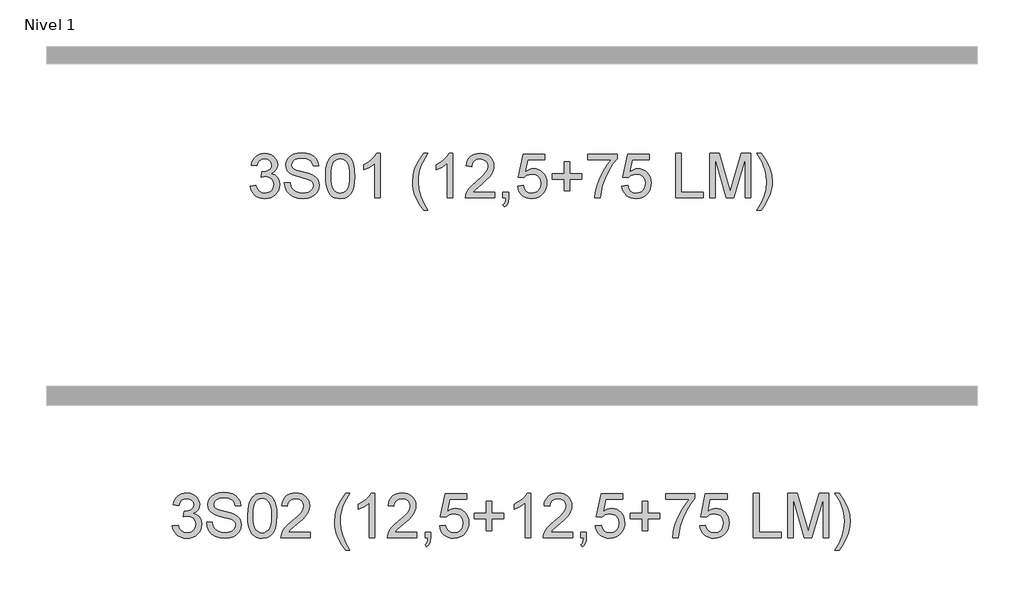
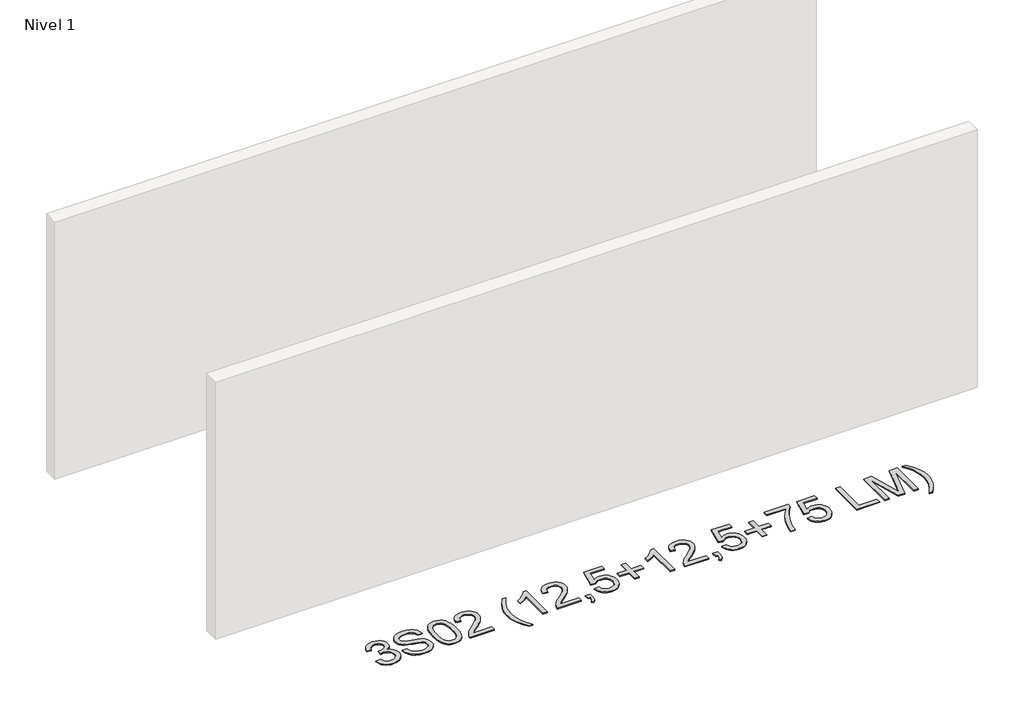
# One storey, part 8 of 13: 2 proxies.
"""IFC4 building model written with IfcOpenShell, lengths in millimetres."""

from ifc_helpers import new_model, si_unit, origin, origin_with_axes, place, context, project, spatial, polyline, outline, extrude, element, save

model = new_model("IFC4")

# Units and contexts
model_context = context("Model", 3, world=origin())
ifc_project = project(units=[si_unit("LENGTHUNIT", "METRE", prefix="MILLI")], contexts=[model_context])

# Site, building, storey
site = spatial("IfcSite", under=ifc_project)
building = spatial("IfcBuilding", under=site)
storey = spatial("IfcBuildingStorey", under=building, Name="Nivel 1", Elevation=0.0)

# Proxies
placement = place(None, origin())
element("IfcBuildingElementProxy", 1, Name="Texto de modelo 1", ObjectType="Texto de modelo 1", at=placement, inside=storey, context=model_context, shape_type="SweptSolid", body=[
    extrude(outline(polyline([(-11638.1412868, -7883.8446235), (-11587.9131318, -7877.5661041), (-11576.6682054, -7909.1303793), (-11560.1993548, -7930.4430095), (-11537.6972394, -7942.5831154), (-11508.3525189, -7946.6298173), (-11473.9187642, -7941.0625364), (-11459.6449428, -7934.1034354), (-11447.3331587, -7924.3606939), (-11430.3370105, -7899.4428201), (-11424.6716278, -7869.2274455), (-11430.2879596, -7840.5449126), (-11447.1369549, -7817.2825078), (-11472.6434399, -7801.8682522), (-11504.2322406, -7796.730167), (-11539.4508103, -7802.2238715), (-11533.8590039, -7751.9957164), (-11525.814651, -7752.5843276), (-11495.7219038, -7748.979084), (-11468.8174672, -7738.1633534), (-11457.7442191, -7729.9841103), (-11449.8347562, -7719.8673555), (-11445.0890785, -7707.8130888), (-11443.5071859, -7693.8213102), (-11448.0934481, -7672.1285352), (-11461.8522348, -7654.5315131), (-11482.8460339, -7642.8696539), (-11509.1373339, -7638.9823675), (-11535.4776847, -7642.9064421), (-11557.0110442, -7654.6786659), (-11572.7318681, -7674.299039), (-11581.6346124, -7701.7675613), (-11631.8627675, -7695.4890419), (-11625.9092105, -7671.5092672), (-11617.0739113, -7650.3867093), (-11605.3568697, -7632.1213683), (-11590.7580859, -7616.713244), (-11573.7374122, -7604.4811677), (-11554.7547013, -7595.7439703), (-11533.809953, -7590.5016519), (-11510.9031674, -7588.7542124), (-11479.3266295, -7592.2000404), (-11450.3252656, -7602.5375245), (-11425.8733756, -7618.8469596), (-11407.9452597, -7640.2086408), (-11396.9455881, -7664.8199463), (-11393.2790309, -7690.8782543), (-11396.7616471, -7715.1584659), (-11407.2094957, -7737.1823347), (-11424.475424, -7755.9443165), (-11448.4122792, -7770.4388671), (-11416.9706313, -7783.1430586), (-11393.6714383, -7804.77452), (-11379.2504641, -7834.1560286), (-11374.4434727, -7870.1103623), (-11376.8469684, -7895.5923218), (-11384.0574555, -7919.0631931), (-11396.074934, -7940.5229762), (-11412.8994039, -7959.971671), (-11433.3965624, -7976.1094278), (-11456.4321067, -7987.636397), (-11482.0060367, -7994.5525785), (-11510.1183525, -7996.8579724), (-11535.5267357, -7994.8898037), (-11558.6787759, -7988.9852977), (-11579.5744732, -7979.1444543), (-11598.2138276, -7965.3672736), (-11613.8426811, -7948.4630959), (-11625.7068754, -7929.2412617), (-11633.8064107, -7907.7017708), (-11638.1412868, -7883.8446235)])), origin_with_axes(), (0.0, 0.0, 1.0), 10.0),
    extrude(outline(polyline([(-11330.493837, -7852.4520265), (-11280.2656819, -7852.4520265), (-11274.5021973, -7880.325219), (-11264.0788741, -7902.7292325), (-11247.81849, -7920.5101956), (-11224.5438224, -7934.5142369), (-11196.0942814, -7943.6009222), (-11164.3092771, -7946.6298173), (-11136.32572, -7944.3366862), (-11111.8247791, -7937.4572929), (-11091.9714141, -7926.5679858), (-11077.9305846, -7912.2451135), (-11069.5796633, -7895.8007883), (-11066.7960229, -7878.5471227), (-11068.8806875, -7861.7349155), (-11075.1346814, -7847.2035767), (-11087.838873, -7834.8059535), (-11109.2741306, -7824.394893), (-11182.4090712, -7805.2159784), (-11230.4176716, -7792.5240495), (-11261.1358182, -7780.4452573), (-11286.1395311, -7763.547211), (-11303.8591806, -7743.0684466), (-11314.4173938, -7719.4504225), (-11317.9367982, -7693.1345972), (-11313.583528, -7663.7163003), (-11300.5237171, -7636.2845662), (-11279.1007223, -7613.0344241), (-11249.6578999, -7596.1609032), (-11214.3167029, -7585.8969956), (-11175.1985841, -7582.475693), (-11132.8185783, -7586.0564111), (-11095.7360732, -7596.7985654), (-11065.275444, -7614.4814266), (-11042.7610658, -7638.8842656), (-11028.5117699, -7668.4865035), (-11022.8463872, -7701.7675613), (-11073.0745422, -7701.7675613), (-11082.2961176, -7671.7974414), (-11090.6593016, -7659.9393785), (-11101.5240832, -7650.1659801), (-11131.5677795, -7637.0693811), (-11173.2365468, -7632.7038481), (-11215.8863328, -7637.0203302), (-11232.1896365, -7642.4159328), (-11245.1452141, -7649.9697764), (-11262.0677859, -7669.0260637), (-11267.7086432, -7691.6630692), (-11263.7109921, -7710.9646112), (-11251.7180391, -7726.4892314), (-11223.3666, -7740.3706453), (-11169.7048796, -7754.5463649), (-11114.3263766, -7768.0108459), (-11080.8245896, -7779.7585443), (-11052.1911077, -7797.9809658), (-11032.2151153, -7820.4708184), (-11020.4796797, -7846.9828475), (-11016.5678678, -7877.2717985), (-11021.0682909, -7908.2351997), (-11034.5695601, -7937.359191), (-11056.5198525, -7962.4242176), (-11086.367345, -7981.2107248), (-11122.260365, -7992.9461605), (-11162.3472397, -7996.8579724), (-11211.557588, -7992.6395922), (-11252.0613956, -7979.9844515), (-11284.3246466, -7958.8434995), (-11308.8133248, -7929.1676853), (-11324.5341487, -7893.0171479), (-11330.493837, -7852.4520265)])), origin_with_axes(), (0.0, 0.0, 1.0), 10.0),
    extrude(outline(polyline([(-10960.0611933, -7792.9041943), (-10956.3701106, -7728.5861588), (-10945.2968626, -7677.2911459), (-10926.9518138, -7638.2343407), (-10915.0937508, -7623.0009605), (-10901.4453288, -7610.6309284), (-10885.9605625, -7601.0598651), (-10868.5934666, -7594.2233914), (-10828.2122863, -7588.7542124), (-10797.2611477, -7591.991574), (-10769.5473708, -7601.7036586), (-10746.3708051, -7617.5103217), (-10729.0313004, -7639.0314184), (-10715.9347013, -7666.0830078), (-10705.4868527, -7698.4811488), (-10698.6442476, -7739.6226186), (-10696.3633792, -7792.9041943), (-10700.0176737, -7856.8543477), (-10710.9805571, -7908.0267333), (-10729.2152414, -7947.1203266), (-10741.0457132, -7962.3996922), (-10754.6849382, -7974.8341036), (-10770.1880986, -7984.4695462), (-10787.6103767, -7991.3520052), (-10828.2122863, -7996.8579724), (-10855.8770123, -7994.4667394), (-10880.4024786, -7987.2930405), (-10901.7886853, -7975.3368757), (-10920.0356323, -7958.5982449), (-10937.5468152, -7928.3399508), (-10950.0548031, -7890.6381776), (-10957.5595958, -7845.4929255), (-10960.0611933, -7792.9041943)]), holes=[polyline([(-10909.8330383, -7792.8060924), (-10908.3615103, -7836.4706195), (-10903.9469263, -7871.8148822), (-10896.5892864, -7898.8388804), (-10886.2885906, -7917.5426142), (-10873.8296537, -7930.2682656), (-10859.9972906, -7939.3580165), (-10844.7915015, -7944.8118671), (-10828.2122863, -7946.6298173), (-10811.633071, -7944.8057357), (-10796.4272819, -7939.3334911), (-10782.5949189, -7930.2130833), (-10770.135982, -7917.4445124), (-10759.8352861, -7898.7101217), (-10752.4776462, -7871.6922549), (-10748.0630622, -7836.3909118), (-10746.5915343, -7792.8060924), (-10748.0140113, -7750.2973278), (-10752.2814425, -7715.5753989), (-10759.3938277, -7688.6403055), (-10769.351167, -7669.4920476), (-10781.6016375, -7656.1440625), (-10795.593416, -7646.6097875), (-10811.3265027, -7640.8892225), (-10828.8008975, -7638.9823675), (-10845.2942736, -7640.6623619), (-10860.2425453, -7645.7023452), (-10873.6457127, -7654.1023175), (-10885.5037756, -7665.8622786), (-10896.147828, -7686.708925), (-10903.7507226, -7714.8151094), (-10908.3124593, -7750.1808319), (-10909.8330383, -7792.8060924)])]), origin_with_axes(), (0.0, 0.0, 1.0), 10.0),
    extrude(outline(polyline([(-10464.058162, -7990.579453), (-10514.286317, -7990.579453), (-10514.286317, -7677.4382987), (-10535.2555908, -7694.3976587), (-10561.8657218, -7711.3324932), (-10614.7426272, -7736.6918254), (-10614.7426272, -7689.2105225), (-10575.2934146, -7667.7507395), (-10541.1171772, -7642.219729), (-10514.1759524, -7615.0700378), (-10496.4317775, -7588.7542124), (-10464.058162, -7588.7542124), (-10464.058162, -7990.579453)])), origin_with_axes(), (0.0, 0.0, 1.0), 10.0),
    extrude(outline(polyline([(-10074.7899601, -8103.5928019), (-10113.7118752, -8048.9745884), (-10146.1100163, -7985.7724616), (-10158.8571274, -7951.7188516), (-10167.9622068, -7917.0521049), (-10173.4252544, -7881.7722216), (-10175.2462703, -7845.8792016), (-10169.8016168, -7783.4618897), (-10153.4676562, -7723.7423792), (-10121.0449897, -7656.101143), (-10074.7899601, -7588.7542124), (-10037.1188438, -7588.7542124), (-10084.1096373, -7668.3148252), (-10100.1492923, -7706.0840434), (-10112.3629746, -7745.4228914), (-10121.8543301, -7795.6755719), (-10125.0181152, -7846.1735072), (-10119.5244108, -7910.565119), (-10103.0432974, -7974.9322055), (-10075.5747751, -8039.2747664), (-10037.1188438, -8103.5928019), (-10074.7899601, -8103.5928019)])), origin_with_axes(), (0.0, 0.0, 1.0), 10.0),
    extrude(outline(polyline([(-9811.092146, -7990.579453), (-9861.3203011, -7990.579453), (-9861.3203011, -7677.4382987), (-9882.2895748, -7694.3976587), (-9908.8997058, -7711.3324932), (-9961.7766112, -7736.6918254), (-9961.7766112, -7689.2105225), (-9922.3273986, -7667.7507395), (-9888.1511613, -7642.219729), (-9861.2099365, -7615.0700378), (-9843.4657616, -7588.7542124), (-9811.092146, -7588.7542124), (-9811.092146, -7990.579453)])), origin_with_axes(), (0.0, 0.0, 1.0), 10.0),
    extrude(outline(polyline([(-9434.3809829, -7940.3512979), (-9434.3809829, -7990.579453), (-9698.0787971, -7990.579453), (-9696.9751511, -7972.8965918), (-9692.6831945, -7955.9494945), (-9680.297834, -7928.8856424), (-9662.1735143, -7902.6311307), (-9635.9557908, -7875.1503456), (-9599.2902186, -7844.4076736), (-9545.088938, -7796.2641831), (-9512.5681696, -7760.7267824), (-9496.3077855, -7731.884834), (-9490.8876574, -7703.8277005), (-9496.0012171, -7678.6768347), (-9511.3418963, -7657.7688747), (-9534.9231322, -7643.6789943), (-9564.758362, -7638.9823675), (-9596.0896453, -7643.5686297), (-9620.4311706, -7657.3274163), (-9636.1397318, -7679.1796068), (-9641.5721226, -7708.0460807), (-9691.8002777, -7701.7675613), (-9687.4807299, -7675.838012), (-9679.6233837, -7653.1826125), (-9668.2282389, -7633.8013627), (-9653.2952955, -7617.6942627), (-9635.1679102, -7605.0329907), (-9614.1894394, -7595.989225), (-9590.3598832, -7590.5629655), (-9563.6792415, -7588.7542124), (-9536.7594765, -7590.7653006), (-9512.8011616, -7596.7985654), (-9491.8042967, -7606.8540066), (-9473.7688819, -7620.9316242), (-9459.2835283, -7637.9890861), (-9448.9368472, -7656.9840598), (-9442.7288385, -7677.9165453), (-9440.6595023, -7700.7865427), (-9442.8913198, -7724.8092369), (-9449.5867721, -7748.4149983), (-9461.4693605, -7772.4254299), (-9479.2625863, -7797.6621347), (-9507.6262882, -7827.7916701), (-9551.2203046, -7866.4805933), (-9609.0023033, -7914.795762), (-9631.6638342, -7940.3512979), (-9434.3809829, -7940.3512979)])), origin_with_axes(), (0.0, 0.0, 1.0), 10.0),
    extrude(outline(polyline([(-9359.0387503, -7990.579453), (-9359.0387503, -7940.3512979), (-9308.8105952, -7940.3512979), (-9308.8105952, -7990.579453), (-9311.0669382, -8019.3110368), (-9317.8359669, -8041.9357795), (-9329.5100888, -8059.287547), (-9346.4817116, -8072.200205), (-9359.0387503, -8053.3646468), (-9348.1494433, -8044.2656988), (-9340.5955996, -8031.6841346), (-9336.0093374, -8014.246528), (-9334.0227746, -7990.579453), (-9359.0387503, -7990.579453)])), origin_with_axes(), (0.0, 0.0, 1.0), 10.0),
    extrude(outline(polyline([(-9227.1898432, -7883.8446235), (-9176.9616882, -7877.5661041), (-9167.7401128, -7907.7201649), (-9151.6514069, -7929.3148381), (-9128.7691468, -7942.3010725), (-9099.1669089, -7946.6298173), (-9080.0370452, -7945.1245668), (-9063.1635243, -7940.6088153), (-9048.5463464, -7933.0825628), (-9036.1855114, -7922.5458094), (-9026.3569307, -7909.519721), (-9019.336516, -7894.5254641), (-9013.7201842, -7858.6324441), (-9018.9808967, -7824.8363514), (-9025.5567874, -7810.9181493), (-9034.7630343, -7798.9865099), (-9046.6302943, -7789.4154467), (-9061.1892243, -7782.5789729), (-9098.382094, -7777.1097939), (-9122.7481448, -7779.2925604), (-9142.4788825, -7785.8408599), (-9158.2364946, -7795.8717757), (-9170.6831688, -7808.5023908), (-9220.9113239, -7802.2238715), (-9176.9616882, -7595.0327318), (-8982.3275873, -7595.0327318), (-8982.3275873, -7645.2608869), (-9136.3475159, -7645.2608869), (-9157.8318244, -7755.919791), (-9140.1060436, -7743.2155994), (-9121.9510672, -7734.1411769), (-9103.366895, -7728.6965234), (-9084.3535273, -7726.8816388), (-9059.8924403, -7729.1318504), (-9037.4240474, -7735.882485), (-9016.9483487, -7747.1335427), (-8998.4653441, -7762.8850234), (-8983.1645188, -7782.1743027), (-8972.2353579, -7804.038756), (-8965.6778613, -7828.4783832), (-8963.4920291, -7855.4931844), (-8965.4601978, -7881.5147042), (-8971.3647038, -7905.7213394), (-8981.2055472, -7928.1130902), (-8994.9827279, -7948.6899565), (-9015.8538998, -7969.7634634), (-9040.2076878, -7984.8159684), (-9068.0440921, -7993.8474714), (-9099.3631127, -7996.8579724), (-9125.2834649, -7994.9235262), (-9148.6960882, -7989.1201877), (-9169.6009826, -7979.447957), (-9187.998148, -7965.9068338), (-9203.3051047, -7949.1712688), (-9214.9393728, -7929.915712), (-9222.9009523, -7908.1401636), (-9227.1898432, -7883.8446235)])), origin_with_axes(), (0.0, 0.0, 1.0), 10.0),
    extrude(outline(polyline([(-8806.5290445, -7927.7942591), (-8806.5290445, -7821.0594296), (-8913.263874, -7821.0594296), (-8913.263874, -7770.8312745), (-8806.5290445, -7770.8312745), (-8806.5290445, -7664.096445), (-8756.3008894, -7664.096445), (-8756.3008894, -7770.8312745), (-8649.5660599, -7770.8312745), (-8649.5660599, -7821.0594296), (-8756.3008894, -7821.0594296), (-8756.3008894, -7927.7942591), (-8806.5290445, -7927.7942591)])), origin_with_axes(), (0.0, 0.0, 1.0), 10.0),
    extrude(outline(polyline([(-8593.0593854, -7645.2608869), (-8593.0593854, -7595.0327318), (-8329.3615713, -7595.0327318), (-8329.3615713, -7635.646904), (-8366.9468485, -7683.214046), (-8404.1642436, -7743.7061088), (-8436.9915803, -7811.6048623), (-8461.4066821, -7881.3920768), (-8473.3751097, -7933.6067947), (-8480.0460365, -7990.579453), (-8530.2741916, -7990.579453), (-8524.8418008, -7938.8061935), (-8510.310462, -7877.2717985), (-8487.0725826, -7812.0463207), (-8455.5205702, -7749.1998132), (-8418.6833197, -7692.3865704), (-8379.5897264, -7645.2608869), (-8593.0593854, -7645.2608869)])), origin_with_axes(), (0.0, 0.0, 1.0), 10.0),
    extrude(outline(polyline([(-8285.4119356, -7883.8446235), (-8235.1837805, -7877.5661041), (-8225.9622052, -7907.7201649), (-8209.8734993, -7929.3148381), (-8186.9912392, -7942.3010725), (-8157.3890013, -7946.6298173), (-8138.2591375, -7945.1245668), (-8121.3856167, -7940.6088153), (-8106.7684387, -7933.0825628), (-8094.4076037, -7922.5458094), (-8084.5790231, -7909.519721), (-8077.5586083, -7894.5254641), (-8071.9422765, -7858.6324441), (-8077.2029891, -7824.8363514), (-8083.7788797, -7810.9181493), (-8092.9851267, -7798.9865099), (-8104.8523867, -7789.4154467), (-8119.4113166, -7782.5789729), (-8156.6041864, -7777.1097939), (-8180.9702372, -7779.2925604), (-8200.7009748, -7785.8408599), (-8216.458587, -7795.8717757), (-8228.9052611, -7808.5023908), (-8279.1334162, -7802.2238715), (-8235.1837805, -7595.0327318), (-8040.5496796, -7595.0327318), (-8040.5496796, -7645.2608869), (-8194.5696083, -7645.2608869), (-8216.0539168, -7755.919791), (-8198.328136, -7743.2155994), (-8180.1731595, -7734.1411769), (-8161.5889874, -7728.6965234), (-8142.5756196, -7726.8816388), (-8118.1145326, -7729.1318504), (-8095.6461398, -7735.882485), (-8075.170441, -7747.1335427), (-8056.6874365, -7762.8850234), (-8041.3866111, -7782.1743027), (-8030.4574502, -7804.038756), (-8023.8999536, -7828.4783832), (-8021.7141215, -7855.4931844), (-8023.6822901, -7881.5147042), (-8029.5867962, -7905.7213394), (-8039.4276395, -7928.1130902), (-8053.2048202, -7948.6899565), (-8074.0759921, -7969.7634634), (-8098.4297802, -7984.8159684), (-8126.2661845, -7993.8474714), (-8157.585205, -7996.8579724), (-8183.5055573, -7994.9235262), (-8206.9181806, -7989.1201877), (-8227.8230749, -7979.447957), (-8246.2202404, -7965.9068338), (-8261.5271971, -7949.1712688), (-8273.1614652, -7929.915712), (-8281.1230447, -7908.1401636), (-8285.4119356, -7883.8446235)])), origin_with_axes(), (0.0, 0.0, 1.0), 10.0),
    extrude(outline(polyline([(-7801.965943, -7990.579453), (-7801.965943, -7588.7542124), (-7751.7377879, -7588.7542124), (-7751.7377879, -7940.3512979), (-7550.8251676, -7940.3512979), (-7550.8251676, -7990.579453), (-7801.965943, -7990.579453)])), origin_with_axes(), (0.0, 0.0, 1.0), 10.0),
    extrude(outline(polyline([(-7494.3184932, -7990.579453), (-7494.3184932, -7588.7542124), (-7407.8907498, -7588.7542124), (-7325.6813866, -7871.9742977), (-7309.1021713, -7931.1297226), (-7291.14953, -7867.0692045), (-7210.3135929, -7588.7542124), (-7123.8858495, -7588.7542124), (-7123.8858495, -7990.579453), (-7174.1140046, -7990.579453), (-7174.1140046, -7638.9823675), (-7275.060824, -7990.579453), (-7343.1435186, -7990.579453), (-7444.0903381, -7638.9823675), (-7444.0903381, -7990.579453), (-7494.3184932, -7990.579453)])), origin_with_axes(), (0.0, 0.0, 1.0), 10.0),
    extrude(outline(polyline([(-7029.7080587, -8103.5928019), (-7067.379175, -8103.5928019), (-7028.9232438, -8039.2747664), (-7001.4547215, -7974.9322055), (-6984.9736081, -7910.565119), (-6979.4799037, -7846.1735072), (-6982.6436888, -7796.0434539), (-6992.1350443, -7746.3058082), (-7004.1279973, -7706.8933838), (-7020.0940759, -7669.0996401), (-7067.379175, -7588.7542124), (-7029.7080587, -7588.7542124), (-6983.4530292, -7656.101143), (-6951.0303627, -7723.7423792), (-6934.6964021, -7783.4618897), (-6929.2517486, -7845.8792016), (-6931.0819615, -7881.7722216), (-6936.5726003, -7917.0521049), (-6945.7236649, -7951.7188516), (-6958.5351554, -7985.7724616), (-6990.9700846, -8048.9745884), (-7029.7080587, -8103.5928019)])), origin_with_axes(), (0.0, 0.0, 1.0), 10.0),
])
element("IfcBuildingElementProxy", 2, Name="Texto de modelo 1", ObjectType="Texto de modelo 1", at=placement, inside=storey, context=model_context, shape_type="SweptSolid", body=[
    extrude(outline(polyline([(-12341.3354579, -10948.8446235), (-12291.1073028, -10942.5661041), (-12279.8623765, -10974.1303793), (-12263.3935258, -10995.4430095), (-12240.8914105, -11007.5831154), (-12211.54669, -11011.6298173), (-12177.1129352, -11006.0625364), (-12162.8391138, -10999.1034354), (-12150.5273297, -10989.3606939), (-12133.5311815, -10964.4428201), (-12127.8657988, -10934.2274455), (-12133.4821306, -10905.5449126), (-12150.331126, -10882.2825078), (-12175.837611, -10866.8682522), (-12207.4264116, -10861.730167), (-12242.6449813, -10867.2238715), (-12237.053175, -10816.9957164), (-12229.008822, -10817.5843276), (-12198.9160748, -10813.979084), (-12172.0116382, -10803.1633534), (-12160.9383902, -10794.9841103), (-12153.0289273, -10784.8673555), (-12148.2832496, -10772.8130888), (-12146.701357, -10758.8213102), (-12151.2876192, -10737.1285352), (-12165.0464058, -10719.5315131), (-12186.040205, -10707.8696539), (-12212.3315049, -10703.9823675), (-12238.6718558, -10707.9064421), (-12260.2052152, -10719.6786659), (-12275.9260391, -10739.299039), (-12284.8287834, -10766.7675613), (-12335.0569385, -10760.4890419), (-12329.1033815, -10736.5092672), (-12320.2680823, -10715.3867093), (-12308.5510408, -10697.1213683), (-12293.9522569, -10681.713244), (-12276.9315833, -10669.4811677), (-12257.9488723, -10660.7439703), (-12237.0041241, -10655.5016519), (-12214.0973385, -10653.7542124), (-12182.5208006, -10657.2000404), (-12153.5194366, -10667.5375245), (-12129.0675467, -10683.8469596), (-12111.1394308, -10705.2086408), (-12100.1397591, -10729.8199463), (-12096.4732019, -10755.8782543), (-12099.9558181, -10780.1584659), (-12110.4036668, -10802.1823347), (-12127.6695951, -10820.9443165), (-12151.6064502, -10835.4388671), (-12120.1648024, -10848.1430586), (-12096.8656094, -10869.77452), (-12082.4446351, -10899.1560286), (-12077.6376437, -10935.1103623), (-12080.0411394, -10960.5923218), (-12087.2516266, -10984.0631931), (-12099.2691051, -11005.5229762), (-12116.093575, -11024.971671), (-12136.5907335, -11041.1094278), (-12159.6262777, -11052.636397), (-12185.2002078, -11059.5525785), (-12213.3125236, -11061.8579724), (-12238.7209067, -11059.8898037), (-12261.8729469, -11053.9852977), (-12282.7686443, -11044.1444543), (-12301.4079987, -11030.3672736), (-12317.0368521, -11013.4630959), (-12328.9010465, -10994.2412617), (-12337.0005817, -10972.7017708), (-12341.3354579, -10948.8446235)])), origin_with_axes(), (0.0, 0.0, 1.0), 10.0),
    extrude(outline(polyline([(-12033.6880081, -10917.4520265), (-11983.459853, -10917.4520265), (-11977.6963684, -10945.325219), (-11967.2730452, -10967.7292325), (-11951.012661, -10985.5101956), (-11927.7379934, -10999.5142369), (-11899.2884525, -11008.6009222), (-11867.5034481, -11011.6298173), (-11839.519891, -11009.3366862), (-11815.0189501, -11002.4572929), (-11795.1655851, -10991.5679858), (-11781.1247556, -10977.2451135), (-11772.7738343, -10960.8007883), (-11769.9901939, -10943.5471227), (-11772.0748586, -10926.7349155), (-11778.3288525, -10912.2035767), (-11791.033044, -10899.8059535), (-11812.4683016, -10889.394893), (-11885.6032423, -10870.2159784), (-11933.6118426, -10857.5240495), (-11964.3299892, -10845.4452573), (-11989.3337022, -10828.547211), (-12007.0533516, -10808.0684466), (-12017.6115649, -10784.4504225), (-12021.1309693, -10758.1345972), (-12016.777699, -10728.7163003), (-12003.7178882, -10701.2845662), (-11982.2948933, -10678.0344241), (-11952.852071, -10661.1609032), (-11917.510874, -10650.8969956), (-11878.3927552, -10647.475693), (-11836.0127493, -10651.0564111), (-11798.9302442, -10661.7985654), (-11768.469615, -10679.4814266), (-11745.9552369, -10703.8842656), (-11731.7059409, -10733.4865035), (-11726.0405582, -10766.7675613), (-11776.2687133, -10766.7675613), (-11785.4902886, -10736.7974414), (-11793.8534727, -10724.9393785), (-11804.7182543, -10715.1659801), (-11834.7619505, -10702.0693811), (-11876.4307178, -10697.7038481), (-11919.0805038, -10702.0203302), (-11935.3838076, -10707.4159328), (-11948.3393852, -10714.9697764), (-11965.261957, -10734.0260637), (-11970.9028142, -10756.6630692), (-11966.9051632, -10775.9646112), (-11954.9122102, -10791.4892314), (-11926.5607711, -10805.3706453), (-11872.8990507, -10819.5463649), (-11817.5205477, -10833.0108459), (-11784.0187607, -10844.7585443), (-11755.3852787, -10862.9809658), (-11735.4092864, -10885.4708184), (-11723.6738507, -10911.9828475), (-11719.7620388, -10942.2717985), (-11724.2624619, -10973.2351997), (-11737.7637311, -11002.359191), (-11759.7140235, -11027.4242176), (-11789.5615161, -11046.2107248), (-11825.4545361, -11057.9461605), (-11865.5414108, -11061.8579724), (-11914.751759, -11057.6395922), (-11955.2555667, -11044.9844515), (-11987.5188177, -11023.8434995), (-12012.0074958, -10994.1676853), (-12027.7283197, -10958.0171479), (-12033.6880081, -10917.4520265)])), origin_with_axes(), (0.0, 0.0, 1.0), 10.0),
    extrude(outline(polyline([(-11663.2553644, -10857.9041943), (-11659.5642817, -10793.5861588), (-11648.4910336, -10742.2911459), (-11630.1459848, -10703.2343407), (-11618.2879218, -10688.0009605), (-11604.6394998, -10675.6309284), (-11589.1547335, -10666.0598651), (-11571.7876376, -10659.2233914), (-11531.4064573, -10653.7542124), (-11500.4553188, -10656.991574), (-11472.7415418, -10666.7036586), (-11449.5649761, -10682.5103217), (-11432.2254714, -10704.0314184), (-11419.1288724, -10731.0830078), (-11408.6810237, -10763.4811488), (-11401.8384186, -10804.6226186), (-11399.5575502, -10857.9041943), (-11403.2118447, -10921.8543477), (-11414.1747282, -10973.0267333), (-11432.4094124, -11012.1203266), (-11444.2398842, -11027.3996922), (-11457.8791092, -11039.8341036), (-11473.3822696, -11049.4695462), (-11490.8045478, -11056.3520052), (-11531.4064573, -11061.8579724), (-11559.0711833, -11059.4667394), (-11583.5966497, -11052.2930405), (-11604.9828563, -11040.3368757), (-11623.2298033, -11023.5982449), (-11640.7409863, -10993.3399508), (-11653.2489741, -10955.6381776), (-11660.7537668, -10910.4929255), (-11663.2553644, -10857.9041943)]), holes=[polyline([(-11613.0272093, -10857.8060924), (-11611.5556813, -10901.4706195), (-11607.1410974, -10936.8148822), (-11599.7834575, -10963.8388804), (-11589.4827616, -10982.5426142), (-11577.0238247, -10995.2682656), (-11563.1914617, -11004.3580165), (-11547.9856726, -11009.8118671), (-11531.4064573, -11011.6298173), (-11514.8272421, -11009.8057357), (-11499.6214529, -11004.3334911), (-11485.7890899, -10995.2130833), (-11473.330153, -10982.4445124), (-11463.0294571, -10963.7101217), (-11455.6718172, -10936.6922549), (-11451.2572333, -10901.3909118), (-11449.7857053, -10857.8060924), (-11451.2081824, -10815.2973278), (-11455.4756135, -10780.5753989), (-11462.5879987, -10753.6403055), (-11472.5453381, -10734.4920476), (-11484.7958085, -10721.1440625), (-11498.7875871, -10711.6097875), (-11514.5206737, -10705.8892225), (-11531.9950685, -10703.9823675), (-11548.4884446, -10705.6623619), (-11563.4367164, -10710.7023452), (-11576.8398837, -10719.1023175), (-11588.6979467, -10730.8622786), (-11599.3419991, -10751.708925), (-11606.9448936, -10779.8151094), (-11611.5066304, -10815.1808319), (-11613.0272093, -10857.8060924)])]), origin_with_axes(), (0.0, 0.0, 1.0), 10.0),
    extrude(outline(polyline([(-11098.1886198, -11005.3512979), (-11098.1886198, -11055.579453), (-11361.8864339, -11055.579453), (-11360.7827879, -11037.8965918), (-11356.4908313, -11020.9494945), (-11344.1054708, -10993.8856424), (-11325.9811512, -10967.6311307), (-11299.7634277, -10940.1503456), (-11263.0978555, -10909.4076736), (-11208.8965749, -10861.2641831), (-11176.3758065, -10825.7267824), (-11160.1154223, -10796.884834), (-11154.6952942, -10768.8277005), (-11159.808854, -10743.6768347), (-11175.1495332, -10722.7688747), (-11198.7307691, -10708.6789943), (-11228.5659989, -10703.9823675), (-11259.8972821, -10708.5686297), (-11284.2388075, -10722.3274163), (-11299.9473687, -10744.1796068), (-11305.3797595, -10773.0460807), (-11355.6079145, -10766.7675613), (-11351.2883668, -10740.838012), (-11343.4310205, -10718.1826125), (-11332.0358757, -10698.8013627), (-11317.1029324, -10682.6942627), (-11298.9755471, -10670.0329907), (-11277.9970763, -10660.989225), (-11254.1675201, -10655.5629655), (-11227.4868784, -10653.7542124), (-11200.5671134, -10655.7653006), (-11176.6087984, -10661.7985654), (-11155.6119336, -10671.8540066), (-11137.5765187, -10685.9316242), (-11123.0911652, -10702.9890861), (-11112.7444841, -10721.9840598), (-11106.5364754, -10742.9165453), (-11104.4671392, -10765.7865427), (-11106.6989566, -10789.8092369), (-11113.3944089, -10813.4149983), (-11125.2769974, -10837.4254299), (-11143.0702232, -10862.6621347), (-11171.433925, -10892.7916701), (-11215.0279415, -10931.4805933), (-11272.8099402, -10979.795762), (-11295.4714711, -11005.3512979), (-11098.1886198, -11005.3512979)])), origin_with_axes(), (0.0, 0.0, 1.0), 10.0),
    extrude(outline(polyline([(-10777.9841312, -11168.5928019), (-10816.9060463, -11113.9745884), (-10849.3041873, -11050.7724616), (-10862.0512984, -11016.7188516), (-10871.1563778, -10982.0521049), (-10876.6194255, -10946.7722216), (-10878.4404413, -10910.8792016), (-10872.9957878, -10848.4618897), (-10856.6618272, -10788.7423792), (-10824.2391607, -10721.101143), (-10777.9841312, -10653.7542124), (-10740.3130149, -10653.7542124), (-10787.3038084, -10733.3148252), (-10803.3434634, -10771.0840434), (-10815.5571456, -10810.4228914), (-10825.0485011, -10860.6755719), (-10828.2122863, -10911.1735072), (-10822.7185818, -10975.565119), (-10806.2374684, -11039.9322055), (-10778.7689461, -11104.2747664), (-10740.3130149, -11168.5928019), (-10777.9841312, -11168.5928019)])), origin_with_axes(), (0.0, 0.0, 1.0), 10.0),
    extrude(outline(polyline([(-10514.286317, -11055.579453), (-10564.5144721, -11055.579453), (-10564.5144721, -10742.4382987), (-10585.4837458, -10759.3976587), (-10612.0938768, -10776.3324932), (-10664.9707823, -10801.6918254), (-10664.9707823, -10754.2105225), (-10625.5215697, -10732.7507395), (-10591.3453323, -10707.219729), (-10564.4041075, -10680.0700378), (-10546.6599326, -10653.7542124), (-10514.286317, -10653.7542124), (-10514.286317, -11055.579453)])), origin_with_axes(), (0.0, 0.0, 1.0), 10.0),
    extrude(outline(polyline([(-10137.575154, -11005.3512979), (-10137.575154, -11055.579453), (-10401.2729681, -11055.579453), (-10400.1693221, -11037.8965918), (-10395.8773655, -11020.9494945), (-10383.492005, -10993.8856424), (-10365.3676854, -10967.6311307), (-10339.1499619, -10940.1503456), (-10302.4843897, -10909.4076736), (-10248.2831091, -10861.2641831), (-10215.7623407, -10825.7267824), (-10199.5019565, -10796.884834), (-10194.0818284, -10768.8277005), (-10199.1953882, -10743.6768347), (-10214.5360674, -10722.7688747), (-10238.1173033, -10708.6789943), (-10267.9525331, -10703.9823675), (-10299.2838163, -10708.5686297), (-10323.6253417, -10722.3274163), (-10339.3339029, -10744.1796068), (-10344.7662937, -10773.0460807), (-10394.9944487, -10766.7675613), (-10390.674901, -10740.838012), (-10382.8175547, -10718.1826125), (-10371.4224099, -10698.8013627), (-10356.4894666, -10682.6942627), (-10338.3620813, -10670.0329907), (-10317.3836105, -10660.989225), (-10293.5540543, -10655.5629655), (-10266.8734126, -10653.7542124), (-10239.9536476, -10655.7653006), (-10215.9953326, -10661.7985654), (-10194.9984677, -10671.8540066), (-10176.9630529, -10685.9316242), (-10162.4776994, -10702.9890861), (-10152.1310183, -10721.9840598), (-10145.9230096, -10742.9165453), (-10143.8536734, -10765.7865427), (-10146.0854908, -10789.8092369), (-10152.7809431, -10813.4149983), (-10164.6635316, -10837.4254299), (-10182.4567574, -10862.6621347), (-10210.8204592, -10892.7916701), (-10254.4144756, -10931.4805933), (-10312.1964744, -10979.795762), (-10334.8580053, -11005.3512979), (-10137.575154, -11005.3512979)])), origin_with_axes(), (0.0, 0.0, 1.0), 10.0),
    extrude(outline(polyline([(-10062.2329214, -11055.579453), (-10062.2329214, -11005.3512979), (-10012.0047663, -11005.3512979), (-10012.0047663, -11055.579453), (-10014.2611092, -11084.3110368), (-10021.0301379, -11106.9357795), (-10032.7042599, -11124.287547), (-10049.6758826, -11137.200205), (-10062.2329214, -11118.3646468), (-10051.3436143, -11109.2656988), (-10043.7897707, -11096.6841346), (-10039.2035085, -11079.246528), (-10037.2169457, -11055.579453), (-10062.2329214, -11055.579453)])), origin_with_axes(), (0.0, 0.0, 1.0), 10.0),
    extrude(outline(polyline([(-9930.3840143, -10948.8446235), (-9880.1558592, -10942.5661041), (-9870.9342839, -10972.7201649), (-9854.845578, -10994.3148381), (-9831.9633179, -11007.3010725), (-9802.36108, -11011.6298173), (-9783.2312162, -11010.1245668), (-9766.3576954, -11005.6088153), (-9751.7405174, -10998.0825628), (-9739.3796824, -10987.5458094), (-9729.5511018, -10974.519721), (-9722.530687, -10959.5254641), (-9716.9143552, -10923.6324441), (-9722.1750678, -10889.8363514), (-9728.7509584, -10875.9181493), (-9737.9572054, -10863.9865099), (-9749.8244654, -10854.4154467), (-9764.3833953, -10847.5789729), (-9801.5762651, -10842.1097939), (-9825.9423159, -10844.2925604), (-9845.6730535, -10850.8408599), (-9861.4306657, -10860.8717757), (-9873.8773398, -10873.5023908), (-9924.1054949, -10867.2238715), (-9880.1558592, -10660.0327318), (-9685.5217583, -10660.0327318), (-9685.5217583, -10710.2608869), (-9839.541687, -10710.2608869), (-9861.0259955, -10820.919791), (-9843.3002147, -10808.2155994), (-9825.1452382, -10799.1411769), (-9806.5610661, -10793.6965234), (-9787.5476983, -10791.8816388), (-9763.0866113, -10794.1318504), (-9740.6182185, -10800.882485), (-9720.1425197, -10812.1335427), (-9701.6595152, -10827.8850234), (-9686.3586898, -10847.1743027), (-9675.4295289, -10869.038756), (-9668.8720323, -10893.4783832), (-9666.6862002, -10920.4931844), (-9668.6543688, -10946.5147042), (-9674.5588749, -10970.7213394), (-9684.3997182, -10993.1130902), (-9698.1768989, -11013.6899565), (-9719.0480708, -11034.7634634), (-9743.4018589, -11049.8159684), (-9771.2382632, -11058.8474714), (-9802.5572837, -11061.8579724), (-9828.4776359, -11059.9235262), (-9851.8902593, -11054.1201877), (-9872.7951536, -11044.447957), (-9891.1923191, -11030.9068338), (-9906.4992758, -11014.1712688), (-9918.1335439, -10994.915712), (-9926.0951234, -10973.1401636), (-9930.3840143, -10948.8446235)])), origin_with_axes(), (0.0, 0.0, 1.0), 10.0),
    extrude(outline(polyline([(-9509.7232155, -10992.7942591), (-9509.7232155, -10886.0594296), (-9616.4580451, -10886.0594296), (-9616.4580451, -10835.8312745), (-9509.7232155, -10835.8312745), (-9509.7232155, -10729.096445), (-9459.4950605, -10729.096445), (-9459.4950605, -10835.8312745), (-9352.7602309, -10835.8312745), (-9352.7602309, -10886.0594296), (-9459.4950605, -10886.0594296), (-9459.4950605, -10992.7942591), (-9509.7232155, -10992.7942591)])), origin_with_axes(), (0.0, 0.0, 1.0), 10.0),
    extrude(outline(polyline([(-9107.8979749, -11055.579453), (-9158.12613, -11055.579453), (-9158.12613, -10742.4382987), (-9179.0954037, -10759.3976587), (-9205.7055347, -10776.3324932), (-9258.5824402, -10801.6918254), (-9258.5824402, -10754.2105225), (-9219.1332276, -10732.7507395), (-9184.9569902, -10707.219729), (-9158.0157654, -10680.0700378), (-9140.2715905, -10653.7542124), (-9107.8979749, -10653.7542124), (-9107.8979749, -11055.579453)])), origin_with_axes(), (0.0, 0.0, 1.0), 10.0),
    extrude(outline(polyline([(-8731.1868119, -11005.3512979), (-8731.1868119, -11055.579453), (-8994.884626, -11055.579453), (-8993.78098, -11037.8965918), (-8989.4890234, -11020.9494945), (-8977.1036629, -10993.8856424), (-8958.9793433, -10967.6311307), (-8932.7616198, -10940.1503456), (-8896.0960476, -10909.4076736), (-8841.894767, -10861.2641831), (-8809.3739986, -10825.7267824), (-8793.1136144, -10796.884834), (-8787.6934863, -10768.8277005), (-8792.8070461, -10743.6768347), (-8808.1477253, -10722.7688747), (-8831.7289612, -10708.6789943), (-8861.564191, -10703.9823675), (-8892.8954742, -10708.5686297), (-8917.2369996, -10722.3274163), (-8932.9455608, -10744.1796068), (-8938.3779516, -10773.0460807), (-8988.6061066, -10766.7675613), (-8984.2865589, -10740.838012), (-8976.4292126, -10718.1826125), (-8965.0340678, -10698.8013627), (-8950.1011245, -10682.6942627), (-8931.9737392, -10670.0329907), (-8910.9952684, -10660.989225), (-8887.1657122, -10655.5629655), (-8860.4850705, -10653.7542124), (-8833.5653055, -10655.7653006), (-8809.6069905, -10661.7985654), (-8788.6101257, -10671.8540066), (-8770.5747108, -10685.9316242), (-8756.0893573, -10702.9890861), (-8745.7426762, -10721.9840598), (-8739.5346675, -10742.9165453), (-8737.4653313, -10765.7865427), (-8739.6971487, -10789.8092369), (-8746.392601, -10813.4149983), (-8758.2751895, -10837.4254299), (-8776.0684153, -10862.6621347), (-8804.4321171, -10892.7916701), (-8848.0261336, -10931.4805933), (-8905.8081323, -10979.795762), (-8928.4696632, -11005.3512979), (-8731.1868119, -11005.3512979)])), origin_with_axes(), (0.0, 0.0, 1.0), 10.0),
    extrude(outline(polyline([(-8655.8445793, -11055.579453), (-8655.8445793, -11005.3512979), (-8605.6164242, -11005.3512979), (-8605.6164242, -11055.579453), (-8607.8727671, -11084.3110368), (-8614.6417958, -11106.9357795), (-8626.3159178, -11124.287547), (-8643.2875405, -11137.200205), (-8655.8445793, -11118.3646468), (-8644.9552722, -11109.2656988), (-8637.4014286, -11096.6841346), (-8632.8151664, -11079.246528), (-8630.8286036, -11055.579453), (-8655.8445793, -11055.579453)])), origin_with_axes(), (0.0, 0.0, 1.0), 10.0),
    extrude(outline(polyline([(-8523.9956722, -10948.8446235), (-8473.7675171, -10942.5661041), (-8464.5459418, -10972.7201649), (-8448.4572359, -10994.3148381), (-8425.5749758, -11007.3010725), (-8395.9727379, -11011.6298173), (-8376.8428741, -11010.1245668), (-8359.9693533, -11005.6088153), (-8345.3521753, -10998.0825628), (-8332.9913403, -10987.5458094), (-8323.1627597, -10974.519721), (-8316.1423449, -10959.5254641), (-8310.5260131, -10923.6324441), (-8315.7867257, -10889.8363514), (-8322.3626163, -10875.9181493), (-8331.5688633, -10863.9865099), (-8343.4361233, -10854.4154467), (-8357.9950532, -10847.5789729), (-8395.187923, -10842.1097939), (-8419.5539738, -10844.2925604), (-8439.2847114, -10850.8408599), (-8455.0423236, -10860.8717757), (-8467.4889977, -10873.5023908), (-8517.7171528, -10867.2238715), (-8473.7675171, -10660.0327318), (-8279.1334162, -10660.0327318), (-8279.1334162, -10710.2608869), (-8433.1533449, -10710.2608869), (-8454.6376534, -10820.919791), (-8436.9118726, -10808.2155994), (-8418.7568961, -10799.1411769), (-8400.172724, -10793.6965234), (-8381.1593562, -10791.8816388), (-8356.6982692, -10794.1318504), (-8334.2298764, -10800.882485), (-8313.7541776, -10812.1335427), (-8295.2711731, -10827.8850234), (-8279.9703478, -10847.1743027), (-8269.0411868, -10869.038756), (-8262.4836902, -10893.4783832), (-8260.2978581, -10920.4931844), (-8262.2660267, -10946.5147042), (-8268.1705328, -10970.7213394), (-8278.0113761, -10993.1130902), (-8291.7885568, -11013.6899565), (-8312.6597287, -11034.7634634), (-8337.0135168, -11049.8159684), (-8364.8499211, -11058.8474714), (-8396.1689416, -11061.8579724), (-8422.0892939, -11059.9235262), (-8445.5019172, -11054.1201877), (-8466.4068115, -11044.447957), (-8484.803977, -11030.9068338), (-8500.1109337, -11014.1712688), (-8511.7452018, -10994.915712), (-8519.7067813, -10973.1401636), (-8523.9956722, -10948.8446235)])), origin_with_axes(), (0.0, 0.0, 1.0), 10.0),
    extrude(outline(polyline([(-8103.3348735, -10992.7942591), (-8103.3348735, -10886.0594296), (-8210.069703, -10886.0594296), (-8210.069703, -10835.8312745), (-8103.3348735, -10835.8312745), (-8103.3348735, -10729.096445), (-8053.1067184, -10729.096445), (-8053.1067184, -10835.8312745), (-7946.3718888, -10835.8312745), (-7946.3718888, -10886.0594296), (-8053.1067184, -10886.0594296), (-8053.1067184, -10992.7942591), (-8103.3348735, -10992.7942591)])), origin_with_axes(), (0.0, 0.0, 1.0), 10.0),
    extrude(outline(polyline([(-7889.8652144, -10710.2608869), (-7889.8652144, -10660.0327318), (-7626.1674002, -10660.0327318), (-7626.1674002, -10700.646904), (-7663.7526774, -10748.214046), (-7700.9700726, -10808.7061088), (-7733.7974093, -10876.6048623), (-7758.212511, -10946.3920768), (-7770.1809386, -10998.6067947), (-7776.8518655, -11055.579453), (-7827.0800205, -11055.579453), (-7821.6476297, -11003.8061935), (-7807.1162909, -10942.2717985), (-7783.8784116, -10877.0463207), (-7752.3263991, -10814.1998132), (-7715.4891487, -10757.3865704), (-7676.3955553, -10710.2608869), (-7889.8652144, -10710.2608869)])), origin_with_axes(), (0.0, 0.0, 1.0), 10.0),
    extrude(outline(polyline([(-7582.2177646, -10948.8446235), (-7531.9896095, -10942.5661041), (-7522.7680341, -10972.7201649), (-7506.6793282, -10994.3148381), (-7483.7970681, -11007.3010725), (-7454.1948302, -11011.6298173), (-7435.0649665, -11010.1245668), (-7418.1914456, -11005.6088153), (-7403.5742677, -10998.0825628), (-7391.2134327, -10987.5458094), (-7381.384852, -10974.519721), (-7374.3644373, -10959.5254641), (-7368.7481055, -10923.6324441), (-7374.008818, -10889.8363514), (-7380.5847087, -10875.9181493), (-7389.7909556, -10863.9865099), (-7401.6582156, -10854.4154467), (-7416.2171456, -10847.5789729), (-7453.4100153, -10842.1097939), (-7477.7760661, -10844.2925604), (-7497.5068038, -10850.8408599), (-7513.2644159, -10860.8717757), (-7525.7110901, -10873.5023908), (-7575.9392452, -10867.2238715), (-7531.9896095, -10660.0327318), (-7337.3555086, -10660.0327318), (-7337.3555086, -10710.2608869), (-7491.3754372, -10710.2608869), (-7512.8597457, -10820.919791), (-7495.1339649, -10808.2155994), (-7476.9789885, -10799.1411769), (-7458.3948163, -10793.6965234), (-7439.3814486, -10791.8816388), (-7414.9203616, -10794.1318504), (-7392.4519687, -10800.882485), (-7371.97627, -10812.1335427), (-7353.4932654, -10827.8850234), (-7338.1924401, -10847.1743027), (-7327.2632792, -10869.038756), (-7320.7057826, -10893.4783832), (-7318.5199504, -10920.4931844), (-7320.4881191, -10946.5147042), (-7326.3926251, -10970.7213394), (-7336.2334685, -10993.1130902), (-7350.0106492, -11013.6899565), (-7370.8818211, -11034.7634634), (-7395.2356091, -11049.8159684), (-7423.0720134, -11058.8474714), (-7454.391034, -11061.8579724), (-7480.3113862, -11059.9235262), (-7503.7240095, -11054.1201877), (-7524.6289039, -11044.447957), (-7543.0260693, -11030.9068338), (-7558.333026, -11014.1712688), (-7569.9672941, -10994.915712), (-7577.9288736, -10973.1401636), (-7582.2177646, -10948.8446235)])), origin_with_axes(), (0.0, 0.0, 1.0), 10.0),
    extrude(outline(polyline([(-7098.771772, -11055.579453), (-7098.771772, -10653.7542124), (-7048.5436169, -10653.7542124), (-7048.5436169, -11005.3512979), (-6847.6309966, -11005.3512979), (-6847.6309966, -11055.579453), (-7098.771772, -11055.579453)])), origin_with_axes(), (0.0, 0.0, 1.0), 10.0),
    extrude(outline(polyline([(-6791.1243221, -11055.579453), (-6791.1243221, -10653.7542124), (-6704.6965787, -10653.7542124), (-6622.4872155, -10936.9742977), (-6605.9080003, -10996.1297226), (-6587.9553589, -10932.0692045), (-6507.1194218, -10653.7542124), (-6420.6916784, -10653.7542124), (-6420.6916784, -11055.579453), (-6470.9198335, -11055.579453), (-6470.9198335, -10703.9823675), (-6571.866653, -11055.579453), (-6639.9493476, -11055.579453), (-6740.896167, -10703.9823675), (-6740.896167, -11055.579453), (-6791.1243221, -11055.579453)])), origin_with_axes(), (0.0, 0.0, 1.0), 10.0),
    extrude(outline(polyline([(-6326.5138877, -11168.5928019), (-6364.185004, -11168.5928019), (-6325.7290728, -11104.2747664), (-6298.2605505, -11039.9322055), (-6281.7794371, -10975.565119), (-6276.2857326, -10911.1735072), (-6279.4495178, -10861.0434539), (-6288.9408732, -10811.3058082), (-6300.9338263, -10771.8933838), (-6316.8999049, -10734.0996401), (-6364.185004, -10653.7542124), (-6326.5138877, -10653.7542124), (-6280.2588582, -10721.101143), (-6247.8361916, -10788.7423792), (-6231.5022311, -10848.4618897), (-6226.0575775, -10910.8792016), (-6227.8877905, -10946.7722216), (-6233.3784292, -10982.0521049), (-6242.5294939, -11016.7188516), (-6255.3409843, -11050.7724616), (-6287.7759136, -11113.9745884), (-6326.5138877, -11168.5928019)])), origin_with_axes(), (0.0, 0.0, 1.0), 10.0),
])

save(model, "model.ifc")
